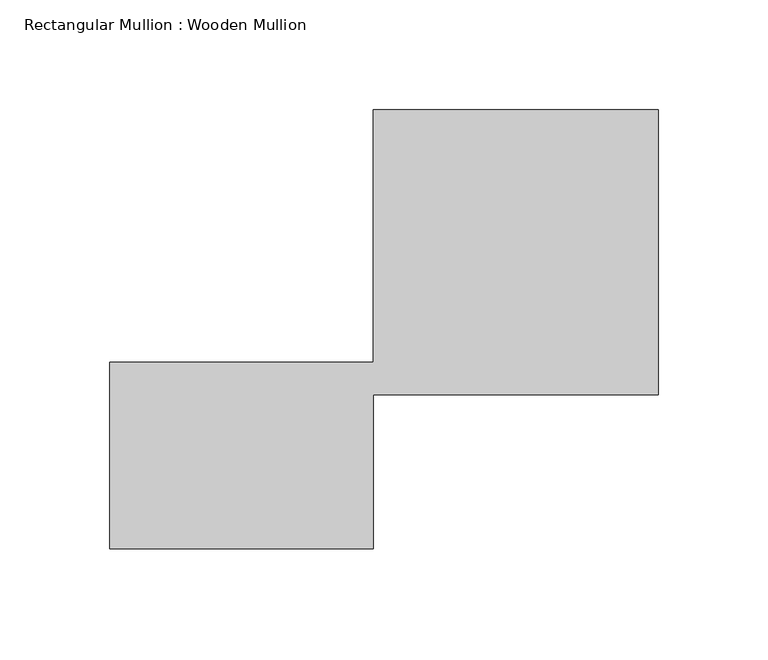
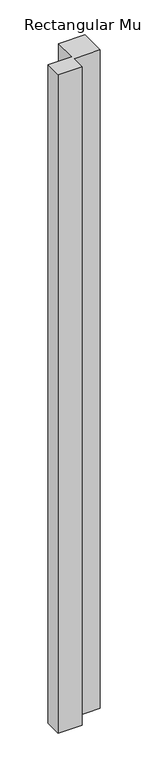
"""IFC4 building model written with IfcOpenShell, lengths in millimetres: member geometry, Rectangular Mullion : Wooden Mullion."""

from ifc_helpers import new_model, si_unit, frame, origin, place, context, project, spatial, polyline, outline, extrude, source, transform, mapped, element, save


def rectangular_mullion_wooden_mullion_e59f8c9b(model_context):
    return source(origin(), model_context, "Body", "SweptSolid", [
        extrude(outline(polyline([(74.8100006, -26.0137344), (-45.1899994, -26.0137344), (-45.1899994, 58.9862656), (74.8100006, 58.9862656), (74.8100006, 173.9862656), (204.8100006, 173.9862656), (204.8100006, 43.9862656), (74.8100006, 43.9862656), (74.8100006, -26.0137344)])), frame((0.0, 0.0, -3468.1320953), z_axis=(0.0, 0.0, 1.0), x_axis=(1.0, 0.0, 0.0)), (0.0, 0.0, 1.0), 3468.1320953),
    ])


if __name__ == "__main__":
    model = new_model("IFC4")
    model_context = context("Model", 3, world=origin())
    ifc_project = project(units=[si_unit("LENGTHUNIT", "METRE", prefix="MILLI")], contexts=[model_context])
    site = spatial("IfcSite", under=ifc_project)
    building = spatial("IfcBuilding", under=site)
    placement = place(None, origin())
    rectangular_mullion_wooden_mullion_shape = rectangular_mullion_wooden_mullion_e59f8c9b(model_context)
    element("IfcMember", 1, ObjectType="Rectangular Mullion : Wooden Mullion", at=placement, inside=building, context=model_context, shape_type="MappedRepresentation", body=[
        mapped(rectangular_mullion_wooden_mullion_shape, transform((0.0, 0.0, 0.0), x_axis=(1.0, 0.0, 0.0), y_axis=(0.0, 1.0, 0.0), z_axis=(0.0, 0.0, 1.0))),
    ])
    save(model, "model.ifc")
